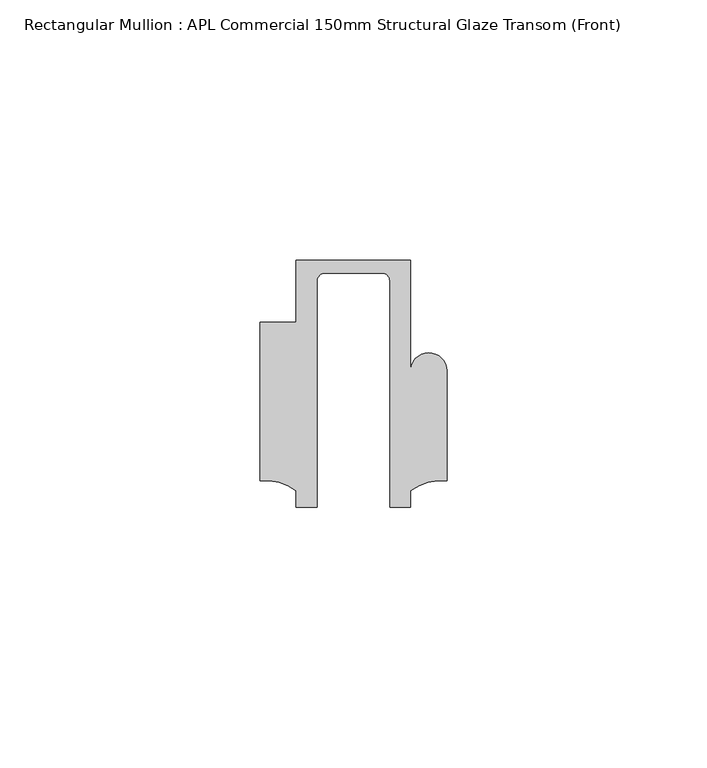
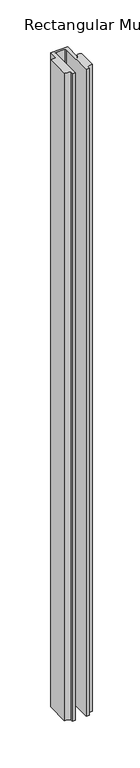
"""IFC4 building model written with IfcOpenShell, lengths in millimetres: member geometry, Rectangular Mullion : APL Commercial 150mm Structural Glaze Transom (Front)."""

from ifc_helpers import new_model, si_unit, frame, origin, place, context, project, spatial, polyline, circle_curve, source, transform, mapped, element, save
from ifc_brep_helpers import plane_surface, cylinder_surface, revolved_surface, advanced_brep


def rectangular_mullion_apl_commercial_150mm_structural_glaze_fd8e780e(model_context):
    return source(origin(), model_context, "Body", "AdvancedBrep", [
        advanced_brep(
        [(-11.0000151, 27.0, 0.0), (-11.0000151, 15.0006281, 0.0), (-17.9999542, 15.0006281, 0.0), (-17.9999542, -15.3797475, 0.0), (-10.9999994, -17.3125325, 0.0), (-10.9999994, -20.5, 0.0), (-6.9999853, -20.5, 0.0), (-6.9999853, 22.9976091, 0.0), (-5.4999873, 24.5, 0.0), (5.4999872, 24.5, 0.0), (6.9999849, 22.9973451, 0.0), (6.9999849, -20.5, 0.0), (11.0000151, -20.5, 0.0), (11.0000151, -17.3125212, 0.0), (17.9999542, -15.3797475, 0.0), (17.9999542, 5.684606, 0.0), (11.001071, 5.5848769, 0.0), (11.001071, 27.0, 0.0), (-11.0000151, 27.0, -875.6849514), (11.001071, 27.0, -875.6849514), (11.001071, 5.5848769, -875.6849514), (17.9999091, 5.6750512, -875.6849514), (17.9999542, -15.3797475, -875.6849514), (11.0000151, -17.3125212, -875.6849514), (11.0000151, -20.5, -875.6849514), (6.9999849, -20.5, -875.6849514), (6.9999849, 22.9973451, -875.6849514), (5.4999872, 24.5, -875.6849514), (-5.4999873, 24.5, -875.6849514), (-6.9999853, 22.9976091, -875.6849514), (-6.9999853, -20.5, -875.6849514), (-10.9999994, -20.5, -875.6849514), (-10.9999994, -17.3125325, -875.6849514), (-17.9999542, -15.3797475, -875.6849514), (-17.9999542, 15.0006281, -875.6849514), (-11.0000151, 15.0006281, -875.6849514)],
        [
            (0, 1),
            (1, 2),
            (2, 3),
            (3, 4, circle_curve(frame((-17.109817, -25.7981812, 0.0), z_axis=(0.0, 0.0, -1.0), x_axis=(0.0, 1.0, 0.0)), 10.4563907)),
            (4, 5),
            (5, 6),
            (6, 7),
            (7, 8, circle_curve(frame((-5.4999873, 23.0, 0.0), z_axis=(0.0, 0.0, -1.0), x_axis=(2.7320010112268853e-08, 0.9999999999999997, 0.0)), 1.5)),
            (8, 9),
            (9, 10, circle_curve(frame((5.4999872, 23.0, 0.0), z_axis=(0.0, 0.0, -1.0), x_axis=(0.9999999999999986, -5.463622857820516e-08, 0.0)), 1.5)),
            (10, 11),
            (11, 12),
            (12, 13),
            (13, 14, circle_curve(frame((17.109817, -25.7981812, 0.0), z_axis=(0.0, 0.0, -1.0), x_axis=(0.0, 1.0, 0.0)), 10.4563907)),
            (14, 15),
            (15, 16, circle_curve(frame((14.4999091, 5.6750512, 0.0), z_axis=(0.0, 0.0, 1.0), x_axis=(-0.9999826028573957, -0.005898642432633649, 0.0)), 3.5)),
            (16, 17),
            (17, 0),
            (18, 19),
            (19, 20),
            (20, 21, circle_curve(frame((14.4999091, 5.6750512, -875.6849514), z_axis=(0.0, 0.0, -1.0), x_axis=(-0.9999826028573957, -0.005898642432633649, 0.0)), 3.5)),
            (21, 22),
            (22, 23, circle_curve(frame((17.109817, -25.7981812, -875.6849514), z_axis=(0.0, 0.0, 1.0), x_axis=(0.0, 1.0, 0.0)), 10.4563907)),
            (23, 24),
            (24, 25),
            (25, 26),
            (26, 27, circle_curve(frame((5.4999872, 23.0, -875.6849514), z_axis=(0.0, 0.0, 1.0), x_axis=(0.9999999999999986, -5.463622857820516e-08, 0.0)), 1.5)),
            (27, 28),
            (28, 29, circle_curve(frame((-5.4999873, 23.0, -875.6849514), z_axis=(0.0, 0.0, 1.0), x_axis=(2.7320010112268853e-08, 0.9999999999999997, 0.0)), 1.5)),
            (29, 30),
            (30, 31),
            (31, 32),
            (32, 33, circle_curve(frame((-17.109817, -25.7981812, -875.6849514), z_axis=(0.0, 0.0, 1.0), x_axis=(0.0, 1.0, 0.0)), 10.4563907)),
            (33, 34),
            (34, 35),
            (35, 18),
            (0, 18),
            (35, 1),
            (34, 2),
            (33, 3),
            (32, 4),
            (31, 5),
            (30, 6),
            (29, 7),
            (28, 8),
            (27, 9),
            (26, 10),
            (25, 11),
            (24, 12),
            (23, 13),
            (22, 14),
            (21, 15),
            (20, 16),
            (19, 17),
        ],
        [
            plane_surface(frame((0.0, -29.1551636, 0.0), z_axis=(0.0, 0.0, 1.0), x_axis=(-1.0, 0.0, 0.0))),
            plane_surface(frame((0.0, -29.1551636, -875.6849514), z_axis=(0.0, 0.0, -1.0), x_axis=(-1.0, 0.0, 0.0))),
            plane_surface(frame((-11.0000151, 27.0, 0.0), z_axis=(-1.0, 0.0, 0.0), x_axis=(0.0, 0.0, -1.0))),
            plane_surface(frame((-11.0000151, 15.0006281, 0.0), z_axis=(0.0, 1.0, 0.0), x_axis=(0.0, 0.0, -1.0))),
            plane_surface(frame((-17.9999542, 15.0006281, 0.0), z_axis=(-1.0, 0.0, 0.0), x_axis=(0.0, 0.0, -1.0))),
            revolved_surface(polyline([(-17.109817, -15.341790499999998, -875.6849514), (-17.109817, -15.341790499999998, 0.0)]), (-17.109817, -25.7981812, 0.0), (0.0, 0.0, -1.0)),
            plane_surface(frame((-10.9999994, -17.3125325, 0.0), z_axis=(-1.0, 0.0, 0.0), x_axis=(0.0, 0.0, -1.0))),
            plane_surface(frame((-10.9999994, -20.5, 0.0), z_axis=(0.0, -1.0, 0.0), x_axis=(0.0, 0.0, -1.0))),
            plane_surface(frame((-6.9999853, -20.5, 0.0), z_axis=(1.0, 0.0, 0.0), x_axis=(0.0, 0.0, -1.0))),
            revolved_surface(polyline([(-5.499987259019985, 24.5, -875.6849514), (-5.499987259019985, 24.5, 0.0)]), (-5.4999873, 23.0, 0.0), (0.0, 0.0, -1.0)),
            plane_surface(frame((-5.4999873, 24.5, 0.0), z_axis=(0.0, -1.0, 0.0), x_axis=(0.0, 0.0, -1.0))),
            revolved_surface(polyline([(6.999987199999998, 22.999999918045656, -875.6849514), (6.999987199999998, 22.999999918045656, 0.0)]), (5.4999872, 23.0, 0.0), (0.0, 0.0, -1.0)),
            plane_surface(frame((6.9999849, 22.9973451, 0.0), z_axis=(-1.0, 0.0, 0.0), x_axis=(0.0, 0.0, -1.0))),
            plane_surface(frame((6.9999849, -20.5, 0.0), z_axis=(0.0, -1.0, 0.0), x_axis=(0.0, 0.0, -1.0))),
            plane_surface(frame((11.0000151, -20.5, 0.0), z_axis=(1.0, 0.0, 0.0), x_axis=(0.0, 0.0, -1.0))),
            revolved_surface(polyline([(17.109817, -15.341790499999998, -875.6849514), (17.109817, -15.341790499999998, 0.0)]), (17.109817, -25.7981812, 0.0), (0.0, 0.0, -1.0)),
            plane_surface(frame((17.9999542, -15.3797475, 0.0), z_axis=(1.0, 0.0, 0.0), x_axis=(0.0, 0.0, -1.0))),
            cylinder_surface(frame((14.4999091, 5.6750512, 0.0), z_axis=(0.0, 0.0, 1.0), x_axis=(-0.9999826028573957, -0.005898642432633649, 0.0)), 3.5),
            plane_surface(frame((11.001071, 5.5848769, 0.0), z_axis=(1.0, 0.0, 0.0), x_axis=(0.0, 0.0, -1.0))),
            plane_surface(frame((11.001071, 27.0, 0.0), z_axis=(0.0, 1.0, 0.0), x_axis=(0.0, 0.0, -1.0))),
        ],
        [
            (0, [[1, 2, 3, 4, 5, 6, 7, 8, 9, 10, 11, 12, 13, 14, 15, 16, 17, 18]]),
            (1, [[19, 20, 21, 22, 23, 24, 25, 26, 27, 28, 29, 30, 31, 32, 33, 34, 35, 36]]),
            (2, [[-1, 37, -36, 38]]),
            (3, [[-2, -38, -35, 39]]),
            (4, [[-3, -39, -34, 40]]),
            (5, [[-4, -40, -33, 41]]),
            (6, [[-5, -41, -32, 42]]),
            (7, [[-6, -42, -31, 43]]),
            (8, [[-7, -43, -30, 44]]),
            (9, [[-8, -44, -29, 45]]),
            (10, [[-9, -45, -28, 46]]),
            (11, [[-10, -46, -27, 47]]),
            (12, [[-11, -47, -26, 48]]),
            (13, [[-12, -48, -25, 49]]),
            (14, [[-13, -49, -24, 50]]),
            (15, [[-14, -50, -23, 51]]),
            (16, [[-15, -51, -22, 52]]),
            (17, [[-16, -52, -21, 53]]),
            (18, [[-17, -53, -20, 54]]),
            (19, [[-18, -54, -19, -37]]),
        ],
    ),
    ])


if __name__ == "__main__":
    model = new_model("IFC4")
    model_context = context("Model", 3, world=origin())
    ifc_project = project(units=[si_unit("LENGTHUNIT", "METRE", prefix="MILLI")], contexts=[model_context])
    site = spatial("IfcSite", under=ifc_project)
    building = spatial("IfcBuilding", under=site)
    placement = place(None, origin())
    rectangular_mullion_apl_commercial_150mm_structural_glaze_shape = rectangular_mullion_apl_commercial_150mm_structural_glaze_fd8e780e(model_context)
    element("IfcMember", 1, ObjectType="Rectangular Mullion : APL Commercial 150mm Structural Glaze Transom (Front)", at=placement, inside=building, context=model_context, shape_type="MappedRepresentation", body=[
        mapped(rectangular_mullion_apl_commercial_150mm_structural_glaze_shape, transform((0.0, 0.0, 0.0), x_axis=(1.0, 0.0, 0.0), y_axis=(0.0, 1.0, 0.0), z_axis=(0.0, 0.0, 1.0))),
    ])
    save(model, "model.ifc")
